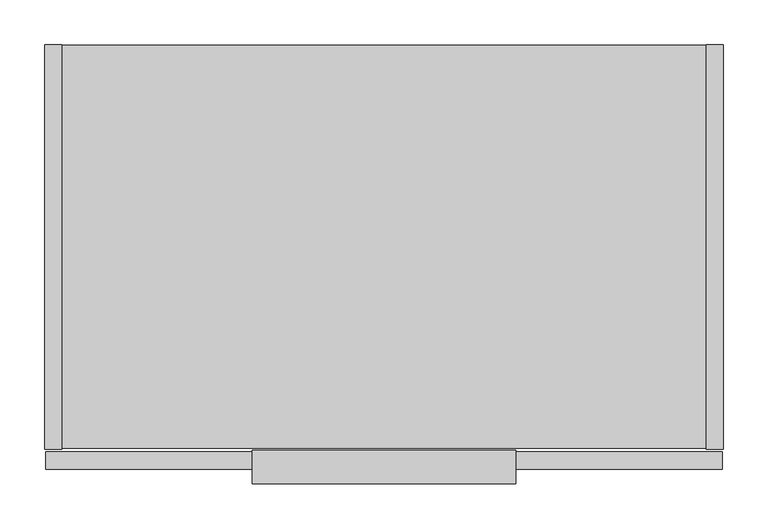
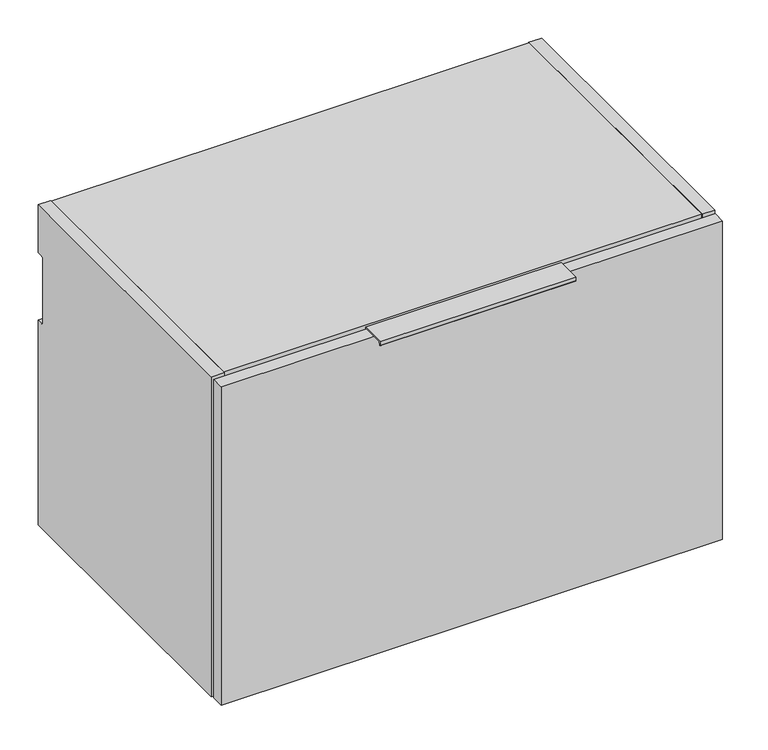
"""IFC4 building model written with IfcOpenShell, lengths in millimetres: furniture geometry."""

import ifcopenshell
import ifcopenshell.guid

model = None  # the IFC model being written
_history = None  # IfcOwnerHistory: only IFC2X3 demands one
_inside = {}  # id of a spatial element -> (the spatial element, [elements in it])
_under = {}  # id of a project, library or spatial element -> (it, [spatial elements below it])
_declared = {}  # id of a project -> (the project, [libraries it declares])
_typed = {}  # id of a type object -> (the type object, [elements of that type])
_made_of = {}  # id of a material, layer set ... -> (it, [elements and type objects made of it])


def new_model(schema):
    """Start an empty IFC model of exactly this schema.

    Asked for "IFC4X3", IfcOpenShell would pick the latest addendum, in which some entities
    have other attributes; the version numbers below select the first issue.
    IFC2X3 requires an IfcOwnerHistory on every rooted entity: one is made here for all.
    """
    global model, _history
    if schema == "IFC4X3":
        model = ifcopenshell.file(schema_version=(4, 3, 0, 0))
    else:
        model = ifcopenshell.file(schema=schema)
    _inside.clear()
    _under.clear()
    _declared.clear()
    _typed.clear()
    _made_of.clear()
    _history = None
    if model.schema == "IFC2X3":
        org = make("IfcOrganization", Name="unknown")
        user = make(
            "IfcPersonAndOrganization",
            ThePerson=make("IfcPerson", FamilyName="unknown"),
            TheOrganization=org,
        )
        app = make(
            "IfcApplication",
            ApplicationDeveloper=org,
            Version="unknown",
            ApplicationFullName="unknown",
            ApplicationIdentifier="unknown",
        )
        _history = make(
            "IfcOwnerHistory",
            OwningUser=user,
            OwningApplication=app,
            ChangeAction="ADDED",
            CreationDate=0,
        )
    return model


def make(cls, **values):
    """One entity of the class cls with the attributes given. An attribute that is None is left unset."""
    return model.create_entity(
        cls, **{name: value for name, value in values.items() if value is not None}
    )


def rooted(cls, **values):
    """An entity with a GlobalId (a new one), such as an element, a storey or a relation."""
    return make(cls, GlobalId=ifcopenshell.guid.new(), OwnerHistory=_history, **values)


def si_unit(unit_type, name, prefix=None):
    """IfcSIUnit, for example si_unit("LENGTHUNIT", "METRE", prefix="MILLI")."""
    return make("IfcSIUnit", UnitType=unit_type, Prefix=prefix, Name=name)


def assignment(units):
    """IfcUnitAssignment: the units of a project."""
    return None if units is None else make("IfcUnitAssignment", Units=units)


def point(xyz):
    """IfcCartesianPoint."""
    return None if xyz is None else make("IfcCartesianPoint", Coordinates=xyz)


def direction(xyz):
    """IfcDirection."""
    return None if xyz is None else make("IfcDirection", DirectionRatios=xyz)


def frame(location, z_axis=None, x_axis=None):
    """IfcAxis2Placement3D, a coordinate frame: its origin and axes. An axis left out is left unset."""
    return make(
        "IfcAxis2Placement3D",
        Location=point(location),
        Axis=direction(z_axis),
        RefDirection=direction(x_axis),
    )


def frame_2d(location, x_axis=None):
    """IfcAxis2Placement2D, a coordinate frame in the plane: its origin and x axis."""
    return make(
        "IfcAxis2Placement2D", Location=point(location), RefDirection=direction(x_axis)
    )


def origin():
    """The frame at (0, 0, 0) with its axes left unset."""
    return frame((0.0, 0.0, 0.0))


def place(relative_to, where):
    """IfcLocalPlacement: puts the frame where relative to a parent placement (None: the world)."""
    return make(
        "IfcLocalPlacement", PlacementRelTo=relative_to, RelativePlacement=where
    )


def context(
    kind, dimensions, precision=None, world=None, true_north=None, identifier=None
):
    """IfcGeometricRepresentationContext, for example the 3D "Model" context."""
    return make(
        "IfcGeometricRepresentationContext",
        ContextIdentifier=identifier,
        ContextType=kind,
        CoordinateSpaceDimension=dimensions,
        Precision=precision,
        WorldCoordinateSystem=world,
        TrueNorth=true_north,
    )


def project(units=None, contexts=None):
    """IfcProject with its units and contexts."""
    return rooted(
        "IfcProject",
        Name="project",
        RepresentationContexts=contexts,
        UnitsInContext=assignment(units),
    )


def spatial(cls, under=None, at=None, **own):
    """A site, building, storey or space (cls), placed at a placement, below another one or the project."""
    s = rooted(cls, ObjectPlacement=at, **own)
    if under is not None:
        _under.setdefault(under.id(), (under, []))[1].append(s)
    return s


def polyline(points):
    """IfcPolyline through the points."""
    return make("IfcPolyline", Points=[point(p) for p in points])


def circle_curve(where, radius):
    """IfcCircle in the frame where."""
    return make("IfcCircle", Position=where, Radius=radius)


def trimmed(basis, trim1, trim2, sense, master):
    """IfcTrimmedCurve: the piece of a basis curve between two trims."""
    return make(
        "IfcTrimmedCurve",
        BasisCurve=basis,
        Trim1=trim1,
        Trim2=trim2,
        SenseAgreement=sense,
        MasterRepresentation=master,
    )


def segment(curve, same_sense, transition):
    """IfcCompositeCurveSegment."""
    return make(
        "IfcCompositeCurveSegment",
        Transition=transition,
        SameSense=same_sense,
        ParentCurve=curve,
    )


def composite_curve(segments, self_intersect=None):
    """IfcCompositeCurve: segments joined end to end."""
    return make("IfcCompositeCurve", Segments=segments, SelfIntersect=self_intersect)


def outline(outer, holes=None, kind="AREA"):
    """IfcArbitraryClosedProfileDef: a profile drawn as a closed curve; with holes, ...WithVoids."""
    if holes is None:
        return make("IfcArbitraryClosedProfileDef", ProfileType=kind, OuterCurve=outer)
    return make(
        "IfcArbitraryProfileDefWithVoids",
        ProfileType=kind,
        OuterCurve=outer,
        InnerCurves=holes,
    )


def extrude(swept, where, along, depth):
    """IfcExtrudedAreaSolid: the profile swept, set in the frame where, extruded along a direction by depth."""
    return make(
        "IfcExtrudedAreaSolid",
        SweptArea=swept,
        Position=where,
        ExtrudedDirection=direction(along),
        Depth=depth,
    )


def shape(context_of_items, identifier, shape_type, items):
    """IfcShapeRepresentation: the items that make up one representation, for example the "Body"."""
    return make(
        "IfcShapeRepresentation",
        ContextOfItems=context_of_items,
        RepresentationIdentifier=identifier,
        RepresentationType=shape_type,
        Items=items,
    )


def source(mapping_origin, context_of_items, identifier, shape_type, items):
    """IfcRepresentationMap: a shape defined once, which mapped items show again and again."""
    return make(
        "IfcRepresentationMap",
        MappingOrigin=mapping_origin,
        MappedRepresentation=shape(context_of_items, identifier, shape_type, items),
    )


def transform(
    local_origin,
    x_axis=None,
    y_axis=None,
    z_axis=None,
    scale=None,
    scale2=None,
    scale3=None,
    uniform=True,
):
    """IfcCartesianTransformationOperator3D, or its non-uniform kind. x_axis, y_axis, z_axis: its Axis1, 2, 3."""
    if uniform:
        return make(
            "IfcCartesianTransformationOperator3D",
            Axis1=direction(x_axis),
            Axis2=direction(y_axis),
            LocalOrigin=point(local_origin),
            Scale=scale,
            Axis3=direction(z_axis),
        )
    return make(
        "IfcCartesianTransformationOperator3DnonUniform",
        Axis1=direction(x_axis),
        Axis2=direction(y_axis),
        LocalOrigin=point(local_origin),
        Scale=scale,
        Axis3=direction(z_axis),
        Scale2=scale2,
        Scale3=scale3,
    )


def mapped(mapping_source, mapping_target):
    """IfcMappedItem: shows the shape of a source again, moved by a transform."""
    return make(
        "IfcMappedItem", MappingSource=mapping_source, MappingTarget=mapping_target
    )


def made_of(thing, what):
    """Note that an element or type object is made of a material, layer set ...; save() writes the relation."""
    if what is not None:
        _made_of.setdefault(what.id(), (what, []))[1].append(thing)
    return thing


def element(
    cls,
    number,
    at=None,
    inside=None,
    cuts=None,
    type_object=None,
    material=None,
    context=None,
    identifier="Body",
    shape_type=None,
    held_by="IfcProductDefinitionShape",
    body=None,
    shapes=None,
    **own,
):
    """One element of the class cls, such as IfcWall. Its Tag is "e" and its number.

    at: its placement. inside: the storey or other place that contains it. cuts: it is an
    opening in that element (IfcRelVoidsElement). A single representation is given by context,
    identifier, shape_type and body (its items); several are given by shapes. held_by: the class
    of the entity that holds the representations. save() writes the other relations.
    """
    e = rooted(cls, Tag="e%d" % number, ObjectPlacement=at, **own)
    if body is not None:
        shapes = [shape(context, identifier, shape_type, body)]
    if shapes is not None:
        e.Representation = make(held_by, Representations=shapes)
    if inside is not None:
        _inside.setdefault(inside.id(), (inside, []))[1].append(e)
    if cuts is not None:
        rooted(
            "IfcRelVoidsElement", RelatingBuildingElement=cuts, RelatedOpeningElement=e
        )
    if type_object is not None:
        _typed.setdefault(type_object.id(), (type_object, []))[1].append(e)
    return made_of(e, material)


def aggregate(whole, parts):
    """IfcRelAggregates: a whole, such as a stair, and the parts it consists of."""
    return rooted("IfcRelAggregates", RelatingObject=whole, RelatedObjects=parts)


def save(model, path):
    """Write the relations noted so far, then the file.

    IfcRelAggregates (storeys below a building ...), IfcRelContainedInSpatialStructure (elements
    in a storey), IfcRelDefinesByType, IfcRelAssociatesMaterial and IfcRelDeclares: one each for
    every whole, place, type object, material and project.
    """
    for whole, parts in _under.values():
        aggregate(whole, parts)
    for where, things in _inside.values():
        rooted(
            "IfcRelContainedInSpatialStructure",
            RelatedElements=things,
            RelatingStructure=where,
        )
    for kind, things in _typed.values():
        rooted("IfcRelDefinesByType", RelatedObjects=things, RelatingType=kind)
    for what, things in _made_of.values():
        rooted("IfcRelAssociatesMaterial", RelatedObjects=things, RelatingMaterial=what)
    for by, libraries in _declared.values():
        rooted("IfcRelDeclares", RelatingContext=by, RelatedDefinitions=libraries)
    model.write(path)


def furniture_7f1b9782(model_context):
    return source(origin(), model_context, "Body", "SweptSolid", [
        extrude(outline(composite_curve([segment(polyline([(-455.1095617, 836.525), (-455.1095617, 817.025), (-457.2, 817.025), (-457.2, 835.025), (-489.8685141, 835.025), (-491.1436358, 830.266181)]), True, "CONTINUOUS"), segment(trimmed(circle_curve(frame_2d((-492.1095617, 830.525)), 1.0), [point((-491.1436358, 830.266181))], [point((-493.1095617, 830.525))], False, "CARTESIAN"), True, "CONTINUOUS"), segment(polyline([(-493.1095617, 830.525), (-493.1095617, 836.525), (-455.1095617, 836.525)]), True, "CONTINUOUS")], self_intersect=False)), frame((232.9942, 0.0, 0.0), z_axis=(1.0, 0.0, 0.0), x_axis=(0.0, 1.0, 0.0)), (0.0, 0.0, 1.0), 296.0116),
        extrude(outline(polyline([(760.4125, -476.504), (1.5875, -476.504), (1.5875, -457.2), (760.4125, -457.2), (760.4125, -476.504)])), frame((0.0, 0.0, 325.6026), z_axis=(0.0, 0.0, 1.0), x_axis=(1.0, 0.0, 0.0)), (0.0, 0.0, 1.0), 509.4224),
        extrude(outline(composite_curve([segment(polyline([(-454.025, 838.2), (0.0, 838.2), (0.0, 761.492), (-9.3963729, 761.492)]), True, "CONTINUOUS"), segment(trimmed(circle_curve(frame_2d((-9.3963729, 758.1883729)), 3.3036271), [point((-9.3963729, 761.492))], [point((-12.7, 758.1883729))], True, "CARTESIAN"), True, "CONTINUOUS"), segment(polyline([(-12.7, 758.1883729), (-12.7, 656.844)]), True, "CONTINUOUS"), segment(trimmed(circle_curve(frame_2d((-9.398, 656.844)), 3.302), [point((-12.7, 656.844))], [point((-9.398, 653.542))], True, "CARTESIAN"), True, "CONTINUOUS"), segment(polyline([(-9.398, 653.542), (0.0, 653.542), (0.0, 325.628), (-454.025, 325.628), (-454.025, 838.2)]), True, "CONTINUOUS")], self_intersect=False)), frame((742.696, 0.0, 0.0), z_axis=(1.0, 0.0, 0.0), x_axis=(0.0, 1.0, 0.0)), (0.0, 0.0, 1.0), 19.304),
        extrude(outline(polyline([(742.696, -0.9906), (742.696, -453.0344), (19.304, -453.0344), (19.304, -0.9906), (742.696, -0.9906)])), frame((0.0, 0.0, 326.6186), z_axis=(0.0, 0.0, 1.0), x_axis=(1.0, 0.0, 0.0)), (0.0, 0.0, 1.0), 19.304),
        extrude(outline(composite_curve([segment(polyline([(-32.004, 818.896), (-11.938, 818.896), (-11.938, 760.2988429)]), True, "CONTINUOUS"), segment(trimmed(circle_curve(frame_2d((-9.3963729, 758.1883729)), 3.3036271), [point((-11.938, 760.2988429))], [point((-12.7, 758.1883729))], True, "CARTESIAN"), True, "CONTINUOUS"), segment(polyline([(-12.7, 758.1883729), (-12.7, 656.844)]), True, "CONTINUOUS"), segment(trimmed(circle_curve(frame_2d((-9.398, 656.844)), 3.302), [point((-12.7, 656.844))], [point((-11.938, 654.7341175))], True, "CARTESIAN"), True, "CONTINUOUS"), segment(polyline([(-11.938, 654.7341175), (-11.938, 345.9226), (-32.004, 345.9226), (-32.004, 818.896)]), True, "CONTINUOUS")], self_intersect=False)), frame((19.304, 0.0, 0.0), z_axis=(1.0, 0.0, 0.0), x_axis=(0.0, 1.0, 0.0)), (0.0, 0.0, 1.0), 723.392),
        extrude(outline(composite_curve([segment(polyline([(-454.025, 838.2), (0.0, 838.2), (0.0, 761.492), (-9.3963729, 761.492)]), True, "CONTINUOUS"), segment(trimmed(circle_curve(frame_2d((-9.3963729, 758.1883729)), 3.3036271), [point((-9.3963729, 761.492))], [point((-12.7, 758.1883729))], True, "CARTESIAN"), True, "CONTINUOUS"), segment(polyline([(-12.7, 758.1883729), (-12.7, 656.844)]), True, "CONTINUOUS"), segment(trimmed(circle_curve(frame_2d((-9.398, 656.844)), 3.302), [point((-12.7, 656.844))], [point((-9.398, 653.542))], True, "CARTESIAN"), True, "CONTINUOUS"), segment(polyline([(-9.398, 653.542), (0.0, 653.542), (0.0, 325.628), (-454.025, 325.628), (-454.025, 838.2)]), True, "CONTINUOUS")], self_intersect=False)), frame((0.0, 0.0, 0.0), z_axis=(1.0, 0.0, 0.0), x_axis=(0.0, 1.0, 0.0)), (0.0, 0.0, 1.0), 19.304),
        extrude(outline(polyline([(742.696, -453.0344), (19.304, -453.0344), (19.304, -0.9906), (742.696, -0.9906), (742.696, -453.0344)])), frame((0.0, 0.0, 818.896), z_axis=(0.0, 0.0, 1.0), x_axis=(1.0, 0.0, 0.0)), (0.0, 0.0, 1.0), 19.304),
    ])


if __name__ == "__main__":
    model = new_model("IFC4")
    model_context = context("Model", 3, world=origin())
    ifc_project = project(units=[si_unit("LENGTHUNIT", "METRE", prefix="MILLI")], contexts=[model_context])
    site = spatial("IfcSite", under=ifc_project)
    building = spatial("IfcBuilding", under=site)
    placement = place(None, origin())
    furniture_shape = furniture_7f1b9782(model_context)
    element("IfcFurniture", 1, at=placement, inside=building, context=model_context, shape_type="MappedRepresentation", body=[
        mapped(furniture_shape, transform((0.0, 0.0, 0.0), x_axis=(1.0, 0.0, 0.0), y_axis=(0.0, 1.0, 0.0), z_axis=(0.0, 0.0, 1.0))),
    ])
    save(model, "model.ifc")
